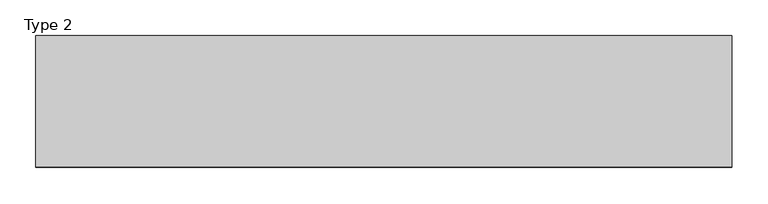
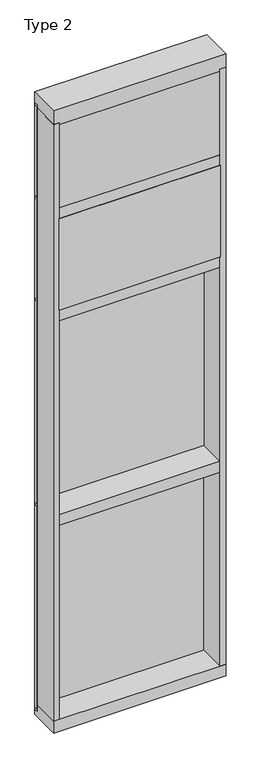
"""IFC4 building model written with IfcOpenShell, lengths in millimetres: plate geometry, Type 2."""

from ifc_helpers import new_model, si_unit, frame, origin, place, context, project, spatial, polyline, outline, extrude, source, transform, mapped, element, save


def type_2_cedbe9fe(model_context):
    return source(origin(), model_context, "Body", "SweptSolid", [
        extrude(outline(polyline([(485.775, 27.6881517), (485.775, 11.2982336), (473.0760892, 11.2982336), (473.0760892, 27.6881517), (485.775, 27.6881517)])), frame((0.0, 0.0, 1225.55), z_axis=(0.0, 0.0, 1.0), x_axis=(1.0, 0.0, 0.0)), (0.0, 0.0, 1.0), 1206.5),
        extrude(outline(polyline([(-473.0760892, 27.6881517), (-473.0760892, 11.2982336), (-485.775, 11.2982336), (-485.775, 27.6881517), (-473.0760892, 27.6881517)])), frame((0.0, 0.0, 1225.55), z_axis=(0.0, 0.0, 1.0), x_axis=(1.0, 0.0, 0.0)), (0.0, 0.0, 1.0), 1206.5),
        extrude(outline(polyline([(473.0760892, 27.686), (473.0760892, 2.286), (-473.0760892, 2.286), (-473.0760892, 27.686), (473.0760892, 27.686)])), frame((0.0, 0.0, 1225.55), z_axis=(0.0, 0.0, 1.0), x_axis=(1.0, 0.0, 0.0)), (0.0, 0.0, 1.0), 1206.5),
        extrude(outline(polyline([(485.775, 27.686), (485.775, 6.35), (-485.775, 6.35), (-485.775, 27.686), (485.775, 27.686)])), frame((0.0, 0.0, 2432.05), z_axis=(0.0, 0.0, 1.0), x_axis=(1.0, 0.0, 0.0)), (0.0, 0.0, 1.0), 12.7),
        extrude(outline(polyline([(454.0260892, -48.6409999), (454.0260892, -156.32684), (-454.025, -156.32684), (-454.025, -48.6409999), (454.0260892, -48.6409999)])), frame((0.0, 0.0, 2470.15), z_axis=(0.0, 0.0, 1.0), x_axis=(1.0, 0.0, 0.0)), (0.0, 0.0, 1.0), 546.1993556),
        extrude(outline(polyline([(485.775, 27.686), (485.775, 6.35), (-485.775, 6.35), (-485.775, 27.686), (485.775, 27.686)])), frame((0.0, 0.0, 3041.65), z_axis=(0.0, 0.0, 1.0), x_axis=(1.0, 0.0, 0.0)), (0.0, 0.0, 1.0), 12.7),
        extrude(outline(polyline([(485.775, 27.6881517), (485.775, 11.2982336), (473.0760892, 11.2982336), (473.0760892, 27.6881517), (485.775, 27.6881517)])), frame((0.0, 0.0, 2444.75), z_axis=(0.0, 0.0, 1.0), x_axis=(1.0, 0.0, 0.0)), (0.0, 0.0, 1.0), 596.9),
        extrude(outline(polyline([(-473.0760892, 27.6881517), (-473.0760892, 11.2982336), (-485.775, 11.2982336), (-485.775, 27.6881517), (-473.0760892, 27.6881517)])), frame((0.0, 0.0, 2444.75), z_axis=(0.0, 0.0, 1.0), x_axis=(1.0, 0.0, 0.0)), (0.0, 0.0, 1.0), 596.9),
        extrude(outline(polyline([(473.0760892, 27.686), (473.0760892, 2.286), (-473.0760892, 2.286), (-473.0760892, 27.686), (473.0760892, 27.686)])), frame((0.0, 0.0, 2444.75), z_axis=(0.0, 0.0, 1.0), x_axis=(1.0, 0.0, 0.0)), (0.0, 0.0, 1.0), 596.9),
        extrude(outline(polyline([(-485.775, -155.9814), (-485.775, 2.286), (-454.025, 2.286), (-454.025, -155.9814), (-485.775, -155.9814)])), frame((0.0, 0.0, 31.75), z_axis=(0.0, 0.0, 1.0), x_axis=(1.0, 0.0, 0.0)), (0.0, 0.0, 1.0), 3556.0),
        extrude(outline(polyline([(485.775, -155.9814), (454.025, -155.9814), (454.025, 2.286), (485.775, 2.286), (485.775, -155.9814)])), frame((0.0, 0.0, 31.75), z_axis=(0.0, 0.0, 1.0), x_axis=(1.0, 0.0, 0.0)), (0.0, 0.0, 1.0), 3556.0),
        extrude(outline(polyline([(454.0260892, -48.6409999), (454.0260892, -156.32684), (-454.025, -156.32684), (-454.025, -48.6409999), (454.0260892, -48.6409999)])), frame((0.0, 0.0, 3079.75), z_axis=(0.0, 0.0, 1.0), x_axis=(1.0, 0.0, 0.0)), (0.0, 0.0, 1.0), 495.3984372),
        extrude(outline(polyline([(485.775, 27.686), (485.775, 6.35), (-485.775, 6.35), (-485.775, 27.686), (485.775, 27.686)])), frame((0.0, 0.0, 3594.1), z_axis=(0.0, 0.0, 1.0), x_axis=(1.0, 0.0, 0.0)), (0.0, 0.0, 1.0), 12.7),
        extrude(outline(polyline([(485.775, 27.6881517), (485.775, 11.2982336), (473.0760892, 11.2982336), (473.0760892, 27.6881517), (485.775, 27.6881517)])), frame((0.0, 0.0, 3054.35), z_axis=(0.0, 0.0, 1.0), x_axis=(1.0, 0.0, 0.0)), (0.0, 0.0, 1.0), 539.75),
        extrude(outline(polyline([(-473.0760892, 27.6881517), (-473.0760892, 11.2982336), (-485.775, 11.2982336), (-485.775, 27.6881517), (-473.0760892, 27.6881517)])), frame((0.0, 0.0, 3054.35), z_axis=(0.0, 0.0, 1.0), x_axis=(1.0, 0.0, 0.0)), (0.0, 0.0, 1.0), 539.75),
        extrude(outline(polyline([(473.0760892, 27.686), (473.0760892, 2.286), (-473.0760892, 2.286), (-473.0760892, 27.686), (473.0760892, 27.686)])), frame((0.0, 0.0, 3054.35), z_axis=(0.0, 0.0, 1.0), x_axis=(1.0, 0.0, 0.0)), (0.0, 0.0, 1.0), 539.75),
        extrude(outline(polyline([(485.775, 27.6881517), (485.775, 11.2982336), (473.0760892, 11.2982336), (473.0760892, 27.6881517), (485.775, 27.6881517)])), frame((0.0, 0.0, 6.35), z_axis=(0.0, 0.0, 1.0), x_axis=(1.0, 0.0, 0.0)), (0.0, 0.0, 1.0), 1206.5),
        extrude(outline(polyline([(-473.0760892, 27.6881517), (-473.0760892, 11.2982336), (-485.775, 11.2982336), (-485.775, 27.6881517), (-473.0760892, 27.6881517)])), frame((0.0, 0.0, 6.35), z_axis=(0.0, 0.0, 1.0), x_axis=(1.0, 0.0, 0.0)), (0.0, 0.0, 1.0), 1206.5),
        extrude(outline(polyline([(473.0760892, 27.686), (473.0760892, 2.286), (-473.0760892, 2.286), (-473.0760892, 27.686), (473.0760892, 27.686)])), frame((0.0, 0.0, 6.35), z_axis=(0.0, 0.0, 1.0), x_axis=(1.0, 0.0, 0.0)), (0.0, 0.0, 1.0), 1206.5),
        extrude(outline(polyline([(485.775, 27.686), (485.775, 6.35), (-485.775, 6.35), (-485.775, 27.686), (485.775, 27.686)])), frame((0.0, 0.0, 1212.85), z_axis=(0.0, 0.0, 1.0), x_axis=(1.0, 0.0, 0.0)), (0.0, 0.0, 1.0), 12.7),
        extrude(outline(polyline([(-454.025, -155.4734), (-454.025, 2.286), (454.025, 2.286), (454.025, -155.4734), (-454.025, -155.4734)])), frame((0.0, 0.0, 1187.45), z_axis=(0.0, 0.0, 1.0), x_axis=(1.0, 0.0, 0.0)), (0.0, 0.0, 1.0), 63.5),
        extrude(outline(polyline([(-454.025, -155.4734), (-454.025, 2.286), (454.025, 2.286), (454.025, -155.4734), (-454.025, -155.4734)])), frame((0.0, 0.0, 2406.65), z_axis=(0.0, 0.0, 1.0), x_axis=(1.0, 0.0, 0.0)), (0.0, 0.0, 1.0), 63.5),
        extrude(outline(polyline([(-485.775, 5.0946564), (-485.775, 27.6881517), (485.775, 27.6881517), (485.775, 5.0946564), (-485.775, 5.0946564)])), frame((0.0, 0.0, -6.2984797), z_axis=(0.0, 0.0, 1.0), x_axis=(1.0, 0.0, 0.0)), (0.0, 0.0, 1.0), 12.6484797),
        extrude(outline(polyline([(27.686, 3670.3), (27.686, 3606.8000642), (2.286, 3606.8000642), (2.286, 3575.0500939), (-155.4734, 3575.0500939), (-155.4734, 3670.3), (27.686, 3670.3)])), frame((-485.775, 0.0, 0.0), z_axis=(1.0, 0.0, 0.0), x_axis=(0.0, 1.0, 0.0)), (0.0, 0.0, 1.0), 971.55),
        extrude(outline(polyline([(-454.025, -155.4734), (-454.025, 2.2859999), (454.025, 2.2859999), (454.025, -155.4734), (-454.025, -155.4734)])), frame((0.0, 0.0, 3016.25), z_axis=(0.0, 0.0, 1.0), x_axis=(1.0, 0.0, 0.0)), (0.0, 0.0, 1.0), 63.5),
        extrude(outline(polyline([(2.2859999, 31.75), (2.2859999, -6.2983857), (27.6858239, -6.2983857), (27.6858239, -38.1), (-155.6004, -38.1), (-155.6004, 31.75), (2.2859999, 31.75)])), frame((-485.775, 0.0, 0.0), z_axis=(1.0, 0.0, 0.0), x_axis=(0.0, 1.0, 0.0)), (0.0, 0.0, 1.0), 971.55),
    ])


if __name__ == "__main__":
    model = new_model("IFC4")
    model_context = context("Model", 3, world=origin())
    ifc_project = project(units=[si_unit("LENGTHUNIT", "METRE", prefix="MILLI")], contexts=[model_context])
    site = spatial("IfcSite", under=ifc_project)
    building = spatial("IfcBuilding", under=site)
    placement = place(None, origin())
    type_2_shape = type_2_cedbe9fe(model_context)
    element("IfcPlate", 1, ObjectType="Type 2", at=placement, inside=building, context=model_context, shape_type="MappedRepresentation", body=[
        mapped(type_2_shape, transform((0.0, 0.0, 0.0), x_axis=(1.0, 0.0, 0.0), y_axis=(0.0, 1.0, 0.0), z_axis=(0.0, 0.0, 1.0))),
    ])
    save(model, "model.ifc")
